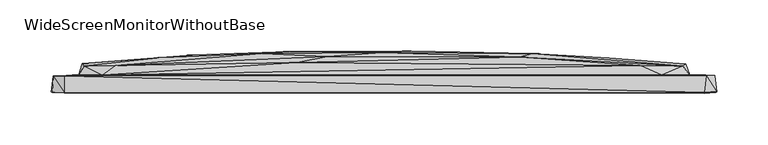
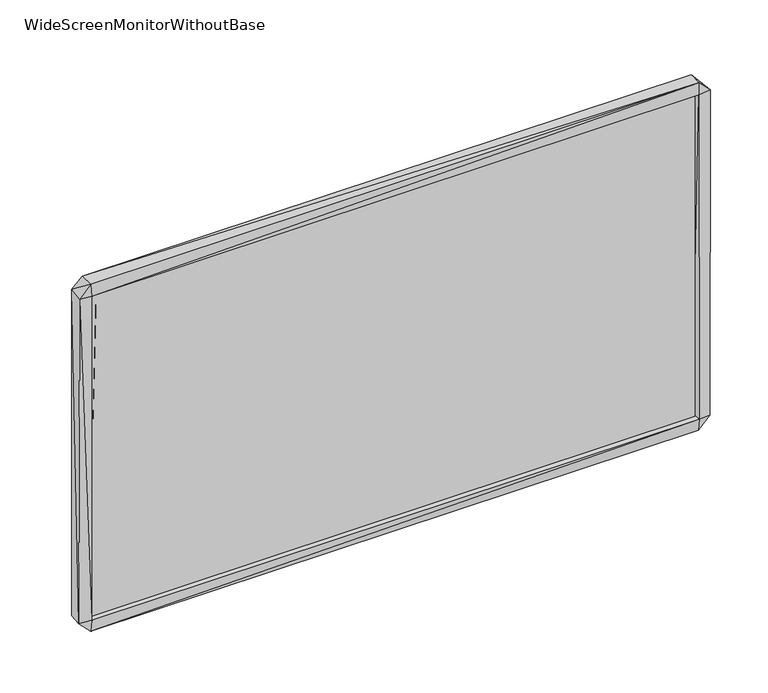
"""IFC4 building model written with IfcOpenShell, lengths in millimetres: furniture geometry, WideScreenMonitorWithoutBase."""

import ifcopenshell
import ifcopenshell.guid

model = None  # the IFC model being written
_history = None  # IfcOwnerHistory: only IFC2X3 demands one
_inside = {}  # id of a spatial element -> (the spatial element, [elements in it])
_under = {}  # id of a project, library or spatial element -> (it, [spatial elements below it])
_declared = {}  # id of a project -> (the project, [libraries it declares])
_typed = {}  # id of a type object -> (the type object, [elements of that type])
_made_of = {}  # id of a material, layer set ... -> (it, [elements and type objects made of it])


def new_model(schema):
    """Start an empty IFC model of exactly this schema.

    Asked for "IFC4X3", IfcOpenShell would pick the latest addendum, in which some entities
    have other attributes; the version numbers below select the first issue.
    IFC2X3 requires an IfcOwnerHistory on every rooted entity: one is made here for all.
    """
    global model, _history
    if schema == "IFC4X3":
        model = ifcopenshell.file(schema_version=(4, 3, 0, 0))
    else:
        model = ifcopenshell.file(schema=schema)
    _inside.clear()
    _under.clear()
    _declared.clear()
    _typed.clear()
    _made_of.clear()
    _history = None
    if model.schema == "IFC2X3":
        org = make("IfcOrganization", Name="unknown")
        user = make(
            "IfcPersonAndOrganization",
            ThePerson=make("IfcPerson", FamilyName="unknown"),
            TheOrganization=org,
        )
        app = make(
            "IfcApplication",
            ApplicationDeveloper=org,
            Version="unknown",
            ApplicationFullName="unknown",
            ApplicationIdentifier="unknown",
        )
        _history = make(
            "IfcOwnerHistory",
            OwningUser=user,
            OwningApplication=app,
            ChangeAction="ADDED",
            CreationDate=0,
        )
    return model


def make(cls, **values):
    """One entity of the class cls with the attributes given. An attribute that is None is left unset."""
    return model.create_entity(
        cls, **{name: value for name, value in values.items() if value is not None}
    )


def rooted(cls, **values):
    """An entity with a GlobalId (a new one), such as an element, a storey or a relation."""
    return make(cls, GlobalId=ifcopenshell.guid.new(), OwnerHistory=_history, **values)


def si_unit(unit_type, name, prefix=None):
    """IfcSIUnit, for example si_unit("LENGTHUNIT", "METRE", prefix="MILLI")."""
    return make("IfcSIUnit", UnitType=unit_type, Prefix=prefix, Name=name)


def assignment(units):
    """IfcUnitAssignment: the units of a project."""
    return None if units is None else make("IfcUnitAssignment", Units=units)


def point(xyz):
    """IfcCartesianPoint."""
    return None if xyz is None else make("IfcCartesianPoint", Coordinates=xyz)


def direction(xyz):
    """IfcDirection."""
    return None if xyz is None else make("IfcDirection", DirectionRatios=xyz)


def frame(location, z_axis=None, x_axis=None):
    """IfcAxis2Placement3D, a coordinate frame: its origin and axes. An axis left out is left unset."""
    return make(
        "IfcAxis2Placement3D",
        Location=point(location),
        Axis=direction(z_axis),
        RefDirection=direction(x_axis),
    )


def origin():
    """The frame at (0, 0, 0) with its axes left unset."""
    return frame((0.0, 0.0, 0.0))


def place(relative_to, where):
    """IfcLocalPlacement: puts the frame where relative to a parent placement (None: the world)."""
    return make(
        "IfcLocalPlacement", PlacementRelTo=relative_to, RelativePlacement=where
    )


def context(
    kind, dimensions, precision=None, world=None, true_north=None, identifier=None
):
    """IfcGeometricRepresentationContext, for example the 3D "Model" context."""
    return make(
        "IfcGeometricRepresentationContext",
        ContextIdentifier=identifier,
        ContextType=kind,
        CoordinateSpaceDimension=dimensions,
        Precision=precision,
        WorldCoordinateSystem=world,
        TrueNorth=true_north,
    )


def project(units=None, contexts=None):
    """IfcProject with its units and contexts."""
    return rooted(
        "IfcProject",
        Name="project",
        RepresentationContexts=contexts,
        UnitsInContext=assignment(units),
    )


def spatial(cls, under=None, at=None, **own):
    """A site, building, storey or space (cls), placed at a placement, below another one or the project."""
    s = rooted(cls, ObjectPlacement=at, **own)
    if under is not None:
        _under.setdefault(under.id(), (under, []))[1].append(s)
    return s


def point_list(points):
    """IfcCartesianPointList2D or 3D."""
    cls = (
        "IfcCartesianPointList2D" if len(points[0]) == 2 else "IfcCartesianPointList3D"
    )
    return make(cls, CoordList=points)


def triangles(points, corners, closed=None, point_numbers=None):
    """IfcTriangulatedFaceSet: each triangle names its three corners, points numbered from 1."""
    return make(
        "IfcTriangulatedFaceSet",
        Coordinates=point_list(points),
        Closed=closed,
        CoordIndex=corners,
        PnIndex=point_numbers,
    )


def shape(context_of_items, identifier, shape_type, items):
    """IfcShapeRepresentation: the items that make up one representation, for example the "Body"."""
    return make(
        "IfcShapeRepresentation",
        ContextOfItems=context_of_items,
        RepresentationIdentifier=identifier,
        RepresentationType=shape_type,
        Items=items,
    )


def source(mapping_origin, context_of_items, identifier, shape_type, items):
    """IfcRepresentationMap: a shape defined once, which mapped items show again and again."""
    return make(
        "IfcRepresentationMap",
        MappingOrigin=mapping_origin,
        MappedRepresentation=shape(context_of_items, identifier, shape_type, items),
    )


def transform(
    local_origin,
    x_axis=None,
    y_axis=None,
    z_axis=None,
    scale=None,
    scale2=None,
    scale3=None,
    uniform=True,
):
    """IfcCartesianTransformationOperator3D, or its non-uniform kind. x_axis, y_axis, z_axis: its Axis1, 2, 3."""
    if uniform:
        return make(
            "IfcCartesianTransformationOperator3D",
            Axis1=direction(x_axis),
            Axis2=direction(y_axis),
            LocalOrigin=point(local_origin),
            Scale=scale,
            Axis3=direction(z_axis),
        )
    return make(
        "IfcCartesianTransformationOperator3DnonUniform",
        Axis1=direction(x_axis),
        Axis2=direction(y_axis),
        LocalOrigin=point(local_origin),
        Scale=scale,
        Axis3=direction(z_axis),
        Scale2=scale2,
        Scale3=scale3,
    )


def mapped(mapping_source, mapping_target):
    """IfcMappedItem: shows the shape of a source again, moved by a transform."""
    return make(
        "IfcMappedItem", MappingSource=mapping_source, MappingTarget=mapping_target
    )


def made_of(thing, what):
    """Note that an element or type object is made of a material, layer set ...; save() writes the relation."""
    if what is not None:
        _made_of.setdefault(what.id(), (what, []))[1].append(thing)
    return thing


def element(
    cls,
    number,
    at=None,
    inside=None,
    cuts=None,
    type_object=None,
    material=None,
    context=None,
    identifier="Body",
    shape_type=None,
    held_by="IfcProductDefinitionShape",
    body=None,
    shapes=None,
    **own,
):
    """One element of the class cls, such as IfcWall. Its Tag is "e" and its number.

    at: its placement. inside: the storey or other place that contains it. cuts: it is an
    opening in that element (IfcRelVoidsElement). A single representation is given by context,
    identifier, shape_type and body (its items); several are given by shapes. held_by: the class
    of the entity that holds the representations. save() writes the other relations.
    """
    e = rooted(cls, Tag="e%d" % number, ObjectPlacement=at, **own)
    if body is not None:
        shapes = [shape(context, identifier, shape_type, body)]
    if shapes is not None:
        e.Representation = make(held_by, Representations=shapes)
    if inside is not None:
        _inside.setdefault(inside.id(), (inside, []))[1].append(e)
    if cuts is not None:
        rooted(
            "IfcRelVoidsElement", RelatingBuildingElement=cuts, RelatedOpeningElement=e
        )
    if type_object is not None:
        _typed.setdefault(type_object.id(), (type_object, []))[1].append(e)
    return made_of(e, material)


def aggregate(whole, parts):
    """IfcRelAggregates: a whole, such as a stair, and the parts it consists of."""
    return rooted("IfcRelAggregates", RelatingObject=whole, RelatedObjects=parts)


def save(model, path):
    """Write the relations noted so far, then the file.

    IfcRelAggregates (storeys below a building ...), IfcRelContainedInSpatialStructure (elements
    in a storey), IfcRelDefinesByType, IfcRelAssociatesMaterial and IfcRelDeclares: one each for
    every whole, place, type object, material and project.
    """
    for whole, parts in _under.values():
        aggregate(whole, parts)
    for where, things in _inside.values():
        rooted(
            "IfcRelContainedInSpatialStructure",
            RelatedElements=things,
            RelatingStructure=where,
        )
    for kind, things in _typed.values():
        rooted("IfcRelDefinesByType", RelatedObjects=things, RelatingType=kind)
    for what, things in _made_of.values():
        rooted("IfcRelAssociatesMaterial", RelatedObjects=things, RelatingMaterial=what)
    for by, libraries in _declared.values():
        rooted("IfcRelDeclares", RelatingContext=by, RelatedDefinitions=libraries)
    model.write(path)


def widescreenmonitorwithoutbase_9cc570ac(model_context):
    return source(origin(), model_context, "Body", "Tessellation", [
        triangles([(309.568786, 1.4711283, 15.0041827), (309.5688586, 1.4711283, 362.8313052), (309.568786, -0.1288716, 15.0041827), (309.5688586, -0.1288716, 362.8313052), (-309.7746964, -0.128906, 362.8314142), (-309.7746964, 1.4710938, 362.8314142), (-309.774769, 1.4710938, 15.0042906), (-309.774769, -0.128906, 15.0042906)], [[1, 2, 3], [3, 2, 4], [5, 4, 2], [5, 2, 6], [7, 1, 3], [7, 3, 8], [7, 6, 1], [7, 8, 5], [7, 5, 6], [8, 3, 4], [8, 4, 5], [1, 6, 2]]),
        triangles([(144.6974905, 35.0200054, 209.4643948), (290.9615642, 22.8200165, 336.8477168), (294.2615808, 24.6200179, 265.2560474), (-216.6306361, 30.9199899, 253.1561319), (-292.3126445, 22.9199832, 332.8519941), (-262.0716306, 23.2199853, 352.2478306), (-119.2486078, 34.9199911, 252.956126), (-55.2665757, 31.9199925, 312.3519373), (-1.9255645, 36.0199989, 260.7561041), (131.6975209, 31.6200063, 300.1519189), (297.8615427, 14.3200175, 334.8519084), (-274.4716368, 14.3199858, 355.6478411), (-297.3126482, 14.3199846, 336.0478383), (-85.2075625, 26.1199945, 352.5477759), (249.8205252, 23.5200124, 352.4477457), (270.9205454, 14.3200164, 355.4477079), (322.2615795, 13.5200187, 365.8476909), (-323.5126296, -3.0800179, 365.5478182), (-311.9126472, -2.7800172, 377.6478427), (-322.3126665, 13.2199836, 365.8478362), (-311.5126353, -3.3800172, 364.8478246), (-311.9126472, 13.1199818, 376.2478191), (311.9615541, -2.7799822, 377.6477337), (313.8615472, 13.420018, 375.6477104), (-309.2126667, 3.8199825, 362.5478559), (309.2615736, 3.8200169, 362.5477106), (311.5615422, -3.4799827, 364.9477095), (324.2615301, -2.579982, 365.4477153), (-324.3127261, -2.4800176, 13.1810938), (-322.1127151, 13.5199823, 11.2810928), (-312.5127196, -3.1800174, 1.4810916), (-311.6127382, -3.5800169, 13.4810914), (-297.5127086, 14.3199846, 42.2810856), (-281.9127161, 14.2199839, 25.1810847), (-310.5127327, 13.2199836, 2.2810912), (311.7614937, -2.5799825, 0.5809825), (311.9615178, -4.0799827, 13.1809826), (-309.212703, 3.8199825, 16.0810906), (309.2615009, 3.720017, 16.0809827), (310.1615187, 13.5200187, 2.3809827), (274.2204712, 14.3200164, 23.2809872), (-293.8127164, 23.0199816, 47.5769333), (-270.3717054, 22.9199854, 27.2810837), (-161.3896584, 31.5199897, 85.9727501), (-24.966622, 33.5199993, 83.5768844), (154.8384594, 25.1200079, 25.8810102), (144.0974817, 31.3200064, 78.1768597), (291.1615156, 23.0200157, 46.276831), (297.8614882, 14.3200175, 43.3768309), (322.5614885, 13.3200184, 14.6809796), (323.4615063, -3.0799821, 12.8809804), (-293.912674, 25.419985, 196.7644614), (-186.3896404, 33.519988, 169.664444), (-91.8075957, 36.8199955, 168.4644446), (26.6154403, 37.4199974, 162.0685777), (219.5794932, 30.9200127, 135.7685297)], [[1, 2, 3], [4, 5, 6], [4, 6, 7], [7, 8, 9], [7, 6, 8], [9, 8, 10], [3, 2, 11], [5, 12, 6], [5, 13, 12], [8, 6, 14], [8, 14, 10], [10, 14, 15], [10, 15, 2], [11, 16, 17], [11, 2, 16], [18, 19, 20], [18, 21, 19], [20, 22, 13], [20, 19, 22], [19, 21, 23], [19, 23, 22], [22, 12, 13], [22, 24, 12], [22, 23, 24], [21, 25, 26], [21, 26, 27], [21, 27, 23], [12, 14, 6], [12, 15, 14], [12, 16, 15], [12, 24, 16], [15, 16, 2], [16, 24, 17], [27, 28, 23], [23, 28, 24], [24, 28, 17], [29, 18, 20], [29, 20, 30], [29, 30, 31], [29, 31, 32], [29, 32, 18], [30, 33, 34], [30, 34, 35], [30, 20, 33], [30, 35, 31], [31, 35, 36], [31, 36, 37], [31, 37, 32], [32, 38, 21], [32, 39, 38], [32, 37, 39], [32, 21, 18], [35, 40, 36], [35, 34, 41], [35, 41, 40], [38, 25, 21], [38, 39, 26], [38, 26, 25], [33, 20, 13], [33, 42, 34], [33, 13, 42], [34, 43, 41], [34, 42, 43], [43, 42, 44], [43, 45, 46], [43, 44, 45], [43, 46, 41], [46, 45, 47], [46, 47, 48], [46, 48, 41], [41, 48, 49], [41, 50, 40], [41, 49, 50], [39, 37, 27], [39, 27, 26], [40, 51, 36], [40, 50, 51], [36, 51, 37], [37, 51, 27], [50, 49, 17], [50, 28, 51], [50, 17, 28], [51, 28, 27], [42, 52, 53], [42, 53, 44], [42, 13, 52], [45, 44, 54], [45, 55, 47], [45, 54, 55], [47, 55, 56], [47, 56, 48], [48, 3, 49], [48, 56, 3], [49, 11, 17], [49, 3, 11], [44, 53, 54], [55, 54, 9], [55, 1, 56], [55, 9, 1], [56, 1, 3], [52, 4, 53], [52, 5, 4], [52, 13, 5], [53, 4, 7], [53, 7, 54], [54, 7, 9], [1, 9, 10], [1, 10, 2]]),
    ])


if __name__ == "__main__":
    model = new_model("IFC4")
    model_context = context("Model", 3, world=origin())
    ifc_project = project(units=[si_unit("LENGTHUNIT", "METRE", prefix="MILLI")], contexts=[model_context])
    site = spatial("IfcSite", under=ifc_project)
    building = spatial("IfcBuilding", under=site)
    placement = place(None, origin())
    widescreenmonitorwithoutbase_shape = widescreenmonitorwithoutbase_9cc570ac(model_context)
    element("IfcFurniture", 1, ObjectType="WideScreenMonitorWithoutBase", at=placement, inside=building, context=model_context, shape_type="MappedRepresentation", body=[
        mapped(widescreenmonitorwithoutbase_shape, transform((0.0, 0.0, 0.0), x_axis=(1.0, 0.0, 0.0), y_axis=(0.0, 1.0, 0.0), z_axis=(0.0, 0.0, 1.0))),
    ])
    save(model, "model.ifc")
